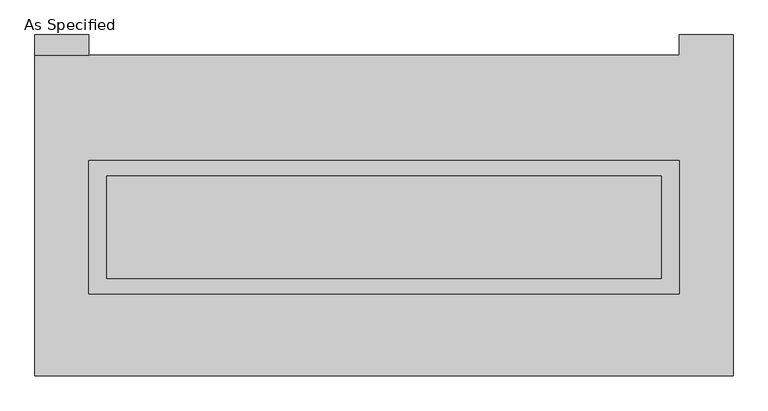
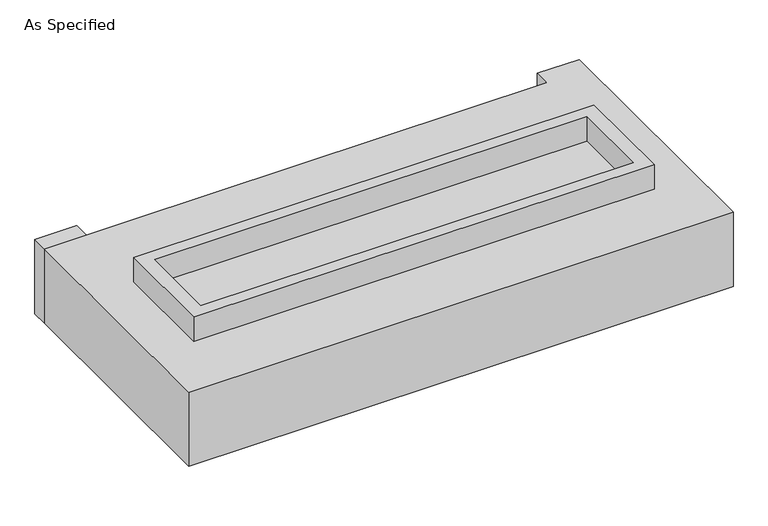
"""IFC4 building model written with IfcOpenShell, lengths in millimetres: proxy geometry, As Specified."""

import ifcopenshell
import ifcopenshell.guid

model = None  # the IFC model being written
_history = None  # IfcOwnerHistory: only IFC2X3 demands one
_inside = {}  # id of a spatial element -> (the spatial element, [elements in it])
_under = {}  # id of a project, library or spatial element -> (it, [spatial elements below it])
_declared = {}  # id of a project -> (the project, [libraries it declares])
_typed = {}  # id of a type object -> (the type object, [elements of that type])
_made_of = {}  # id of a material, layer set ... -> (it, [elements and type objects made of it])


def new_model(schema):
    """Start an empty IFC model of exactly this schema.

    Asked for "IFC4X3", IfcOpenShell would pick the latest addendum, in which some entities
    have other attributes; the version numbers below select the first issue.
    IFC2X3 requires an IfcOwnerHistory on every rooted entity: one is made here for all.
    """
    global model, _history
    if schema == "IFC4X3":
        model = ifcopenshell.file(schema_version=(4, 3, 0, 0))
    else:
        model = ifcopenshell.file(schema=schema)
    _inside.clear()
    _under.clear()
    _declared.clear()
    _typed.clear()
    _made_of.clear()
    _history = None
    if model.schema == "IFC2X3":
        org = make("IfcOrganization", Name="unknown")
        user = make(
            "IfcPersonAndOrganization",
            ThePerson=make("IfcPerson", FamilyName="unknown"),
            TheOrganization=org,
        )
        app = make(
            "IfcApplication",
            ApplicationDeveloper=org,
            Version="unknown",
            ApplicationFullName="unknown",
            ApplicationIdentifier="unknown",
        )
        _history = make(
            "IfcOwnerHistory",
            OwningUser=user,
            OwningApplication=app,
            ChangeAction="ADDED",
            CreationDate=0,
        )
    return model


def make(cls, **values):
    """One entity of the class cls with the attributes given. An attribute that is None is left unset."""
    return model.create_entity(
        cls, **{name: value for name, value in values.items() if value is not None}
    )


def rooted(cls, **values):
    """An entity with a GlobalId (a new one), such as an element, a storey or a relation."""
    return make(cls, GlobalId=ifcopenshell.guid.new(), OwnerHistory=_history, **values)


def si_unit(unit_type, name, prefix=None):
    """IfcSIUnit, for example si_unit("LENGTHUNIT", "METRE", prefix="MILLI")."""
    return make("IfcSIUnit", UnitType=unit_type, Prefix=prefix, Name=name)


def assignment(units):
    """IfcUnitAssignment: the units of a project."""
    return None if units is None else make("IfcUnitAssignment", Units=units)


def point(xyz):
    """IfcCartesianPoint."""
    return None if xyz is None else make("IfcCartesianPoint", Coordinates=xyz)


def direction(xyz):
    """IfcDirection."""
    return None if xyz is None else make("IfcDirection", DirectionRatios=xyz)


def frame(location, z_axis=None, x_axis=None):
    """IfcAxis2Placement3D, a coordinate frame: its origin and axes. An axis left out is left unset."""
    return make(
        "IfcAxis2Placement3D",
        Location=point(location),
        Axis=direction(z_axis),
        RefDirection=direction(x_axis),
    )


def origin():
    """The frame at (0, 0, 0) with its axes left unset."""
    return frame((0.0, 0.0, 0.0))


def place(relative_to, where):
    """IfcLocalPlacement: puts the frame where relative to a parent placement (None: the world)."""
    return make(
        "IfcLocalPlacement", PlacementRelTo=relative_to, RelativePlacement=where
    )


def context(
    kind, dimensions, precision=None, world=None, true_north=None, identifier=None
):
    """IfcGeometricRepresentationContext, for example the 3D "Model" context."""
    return make(
        "IfcGeometricRepresentationContext",
        ContextIdentifier=identifier,
        ContextType=kind,
        CoordinateSpaceDimension=dimensions,
        Precision=precision,
        WorldCoordinateSystem=world,
        TrueNorth=true_north,
    )


def project(units=None, contexts=None):
    """IfcProject with its units and contexts."""
    return rooted(
        "IfcProject",
        Name="project",
        RepresentationContexts=contexts,
        UnitsInContext=assignment(units),
    )


def spatial(cls, under=None, at=None, **own):
    """A site, building, storey or space (cls), placed at a placement, below another one or the project."""
    s = rooted(cls, ObjectPlacement=at, **own)
    if under is not None:
        _under.setdefault(under.id(), (under, []))[1].append(s)
    return s


def polyline(points):
    """IfcPolyline through the points."""
    return make("IfcPolyline", Points=[point(p) for p in points])


def outline(outer, holes=None, kind="AREA"):
    """IfcArbitraryClosedProfileDef: a profile drawn as a closed curve; with holes, ...WithVoids."""
    if holes is None:
        return make("IfcArbitraryClosedProfileDef", ProfileType=kind, OuterCurve=outer)
    return make(
        "IfcArbitraryProfileDefWithVoids",
        ProfileType=kind,
        OuterCurve=outer,
        InnerCurves=holes,
    )


def extrude(swept, where, along, depth):
    """IfcExtrudedAreaSolid: the profile swept, set in the frame where, extruded along a direction by depth."""
    return make(
        "IfcExtrudedAreaSolid",
        SweptArea=swept,
        Position=where,
        ExtrudedDirection=direction(along),
        Depth=depth,
    )


def shape(context_of_items, identifier, shape_type, items):
    """IfcShapeRepresentation: the items that make up one representation, for example the "Body"."""
    return make(
        "IfcShapeRepresentation",
        ContextOfItems=context_of_items,
        RepresentationIdentifier=identifier,
        RepresentationType=shape_type,
        Items=items,
    )


def source(mapping_origin, context_of_items, identifier, shape_type, items):
    """IfcRepresentationMap: a shape defined once, which mapped items show again and again."""
    return make(
        "IfcRepresentationMap",
        MappingOrigin=mapping_origin,
        MappedRepresentation=shape(context_of_items, identifier, shape_type, items),
    )


def transform(
    local_origin,
    x_axis=None,
    y_axis=None,
    z_axis=None,
    scale=None,
    scale2=None,
    scale3=None,
    uniform=True,
):
    """IfcCartesianTransformationOperator3D, or its non-uniform kind. x_axis, y_axis, z_axis: its Axis1, 2, 3."""
    if uniform:
        return make(
            "IfcCartesianTransformationOperator3D",
            Axis1=direction(x_axis),
            Axis2=direction(y_axis),
            LocalOrigin=point(local_origin),
            Scale=scale,
            Axis3=direction(z_axis),
        )
    return make(
        "IfcCartesianTransformationOperator3DnonUniform",
        Axis1=direction(x_axis),
        Axis2=direction(y_axis),
        LocalOrigin=point(local_origin),
        Scale=scale,
        Axis3=direction(z_axis),
        Scale2=scale2,
        Scale3=scale3,
    )


def mapped(mapping_source, mapping_target):
    """IfcMappedItem: shows the shape of a source again, moved by a transform."""
    return make(
        "IfcMappedItem", MappingSource=mapping_source, MappingTarget=mapping_target
    )


def made_of(thing, what):
    """Note that an element or type object is made of a material, layer set ...; save() writes the relation."""
    if what is not None:
        _made_of.setdefault(what.id(), (what, []))[1].append(thing)
    return thing


def element(
    cls,
    number,
    at=None,
    inside=None,
    cuts=None,
    type_object=None,
    material=None,
    context=None,
    identifier="Body",
    shape_type=None,
    held_by="IfcProductDefinitionShape",
    body=None,
    shapes=None,
    **own,
):
    """One element of the class cls, such as IfcWall. Its Tag is "e" and its number.

    at: its placement. inside: the storey or other place that contains it. cuts: it is an
    opening in that element (IfcRelVoidsElement). A single representation is given by context,
    identifier, shape_type and body (its items); several are given by shapes. held_by: the class
    of the entity that holds the representations. save() writes the other relations.
    """
    e = rooted(cls, Tag="e%d" % number, ObjectPlacement=at, **own)
    if body is not None:
        shapes = [shape(context, identifier, shape_type, body)]
    if shapes is not None:
        e.Representation = make(held_by, Representations=shapes)
    if inside is not None:
        _inside.setdefault(inside.id(), (inside, []))[1].append(e)
    if cuts is not None:
        rooted(
            "IfcRelVoidsElement", RelatingBuildingElement=cuts, RelatedOpeningElement=e
        )
    if type_object is not None:
        _typed.setdefault(type_object.id(), (type_object, []))[1].append(e)
    return made_of(e, material)


def aggregate(whole, parts):
    """IfcRelAggregates: a whole, such as a stair, and the parts it consists of."""
    return rooted("IfcRelAggregates", RelatingObject=whole, RelatedObjects=parts)


def save(model, path):
    """Write the relations noted so far, then the file.

    IfcRelAggregates (storeys below a building ...), IfcRelContainedInSpatialStructure (elements
    in a storey), IfcRelDefinesByType, IfcRelAssociatesMaterial and IfcRelDeclares: one each for
    every whole, place, type object, material and project.
    """
    for whole, parts in _under.values():
        aggregate(whole, parts)
    for where, things in _inside.values():
        rooted(
            "IfcRelContainedInSpatialStructure",
            RelatedElements=things,
            RelatingStructure=where,
        )
    for kind, things in _typed.values():
        rooted("IfcRelDefinesByType", RelatedObjects=things, RelatingType=kind)
    for what, things in _made_of.values():
        rooted("IfcRelAssociatesMaterial", RelatedObjects=things, RelatingMaterial=what)
    for by, libraries in _declared.values():
        rooted("IfcRelDeclares", RelatingContext=by, RelatedDefinitions=libraries)
    model.write(path)


def as_specified_fa5cbbdb(model_context):
    return source(origin(), model_context, "Body", "SweptSolid", [
        extrude(outline(polyline([(1460.5, 273.05), (1460.5, -387.35), (-1460.5, -387.35), (-1460.5, 273.05), (1460.5, 273.05)]), holes=[polyline([(1371.6, 196.85), (-1371.6, 196.85), (-1371.6, -311.15), (1371.6, -311.15), (1371.6, 196.85)])]), frame((0.0, 0.0, -688.975), z_axis=(0.0, 0.0, 1.0), x_axis=(1.0, 0.0, 0.0)), (0.0, 0.0, 1.0), 165.1),
        extrude(outline(polyline([(1460.5, 273.05), (1460.5, -387.35), (-1460.5, -387.35), (-1460.5, 273.05), (1460.5, 273.05)]), holes=[polyline([(1371.6, 196.85), (-1371.6, 196.85), (-1371.6, -311.15), (1371.6, -311.15), (1371.6, 196.85)])]), frame((0.0, 0.0, -25.4), z_axis=(0.0, 0.0, 1.0), x_axis=(1.0, 0.0, 0.0)), (0.0, 0.0, 1.0), 165.1),
        extrude(outline(polyline([(-1460.5, 793.75), (-1727.2, 793.75), (-1727.2, 895.35), (-1460.5, 895.35), (-1460.5, 793.75)])), frame((0.0, 0.0, -523.875), z_axis=(0.0, 0.0, 1.0), x_axis=(1.0, 0.0, 0.0)), (0.0, 0.0, 1.0), 498.475),
        extrude(outline(polyline([(1371.6, 196.85), (1371.6, -311.15), (-1371.6, -311.15), (-1371.6, 196.85), (1371.6, 196.85)])), frame((0.0, 0.0, -523.875), z_axis=(0.0, 0.0, 1.0), x_axis=(1.0, 0.0, 0.0)), (0.0, 0.0, 1.0), 4.9609375),
        extrude(outline(polyline([(1371.6, 196.85), (1371.6, -311.15), (-1371.6, -311.15), (-1371.6, 196.85), (1371.6, 196.85)])), frame((0.0, 0.0, -30.3609375), z_axis=(0.0, 0.0, 1.0), x_axis=(1.0, 0.0, 0.0)), (0.0, 0.0, 1.0), 4.9609375),
        extrude(outline(polyline([(1727.2, -793.75), (-1727.2, -793.75), (-1727.2, 793.75), (1460.5, 793.75), (1460.5, 895.35), (1727.2, 895.35), (1727.2, -793.75)]), holes=[polyline([(-1460.5, 273.05), (-1460.5, -387.35), (1460.5, -387.35), (1460.5, 273.05), (-1460.5, 273.05)])]), frame((0.0, 0.0, -523.875), z_axis=(0.0, 0.0, 1.0), x_axis=(1.0, 0.0, 0.0)), (0.0, 0.0, 1.0), 498.475),
    ])


if __name__ == "__main__":
    model = new_model("IFC4")
    model_context = context("Model", 3, world=origin())
    ifc_project = project(units=[si_unit("LENGTHUNIT", "METRE", prefix="MILLI")], contexts=[model_context])
    site = spatial("IfcSite", under=ifc_project)
    building = spatial("IfcBuilding", under=site)
    placement = place(None, origin())
    as_specified_shape = as_specified_fa5cbbdb(model_context)
    element("IfcBuildingElementProxy", 1, Name="As Specified", ObjectType="As Specified", at=placement, inside=building, context=model_context, shape_type="MappedRepresentation", body=[
        mapped(as_specified_shape, transform((0.0, 0.0, 0.0), x_axis=(1.0, 0.0, 0.0), y_axis=(0.0, 1.0, 0.0), z_axis=(0.0, 0.0, 1.0))),
    ])
    save(model, "model.ifc")
